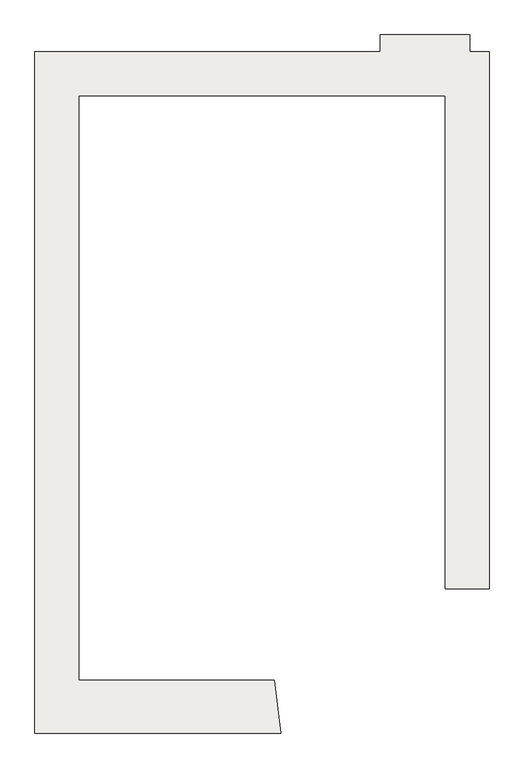
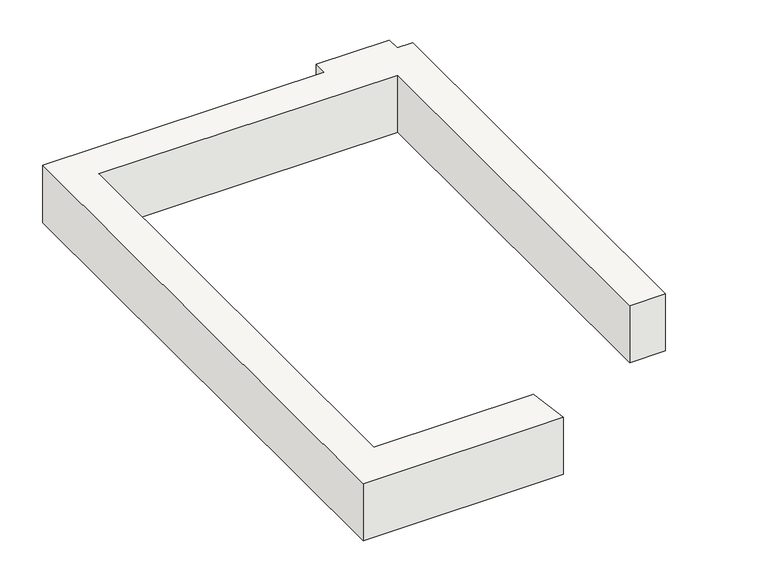
"""IFC4 building model written with IfcOpenShell, lengths in millimetres: slab geometry."""

from ifc_helpers import new_model, si_unit, frame, origin, place, context, project, spatial, polyline, outline, extrude, source, transform, mapped, element, save


def slab_4a011461(model_context):
    return source(origin(), model_context, "Body", "SweptSolid", [
        extrude(outline(polyline([(-3713.7847731, 4619.5502438), (241.644241, 4619.5502438), (241.644241, 4813.5266014), (1267.6442407, 4813.5266014), (1267.6442407, 4619.5502438), (1486.2152269, 4619.5502438), (1486.2152269, -1530.4497562), (986.2152269, -1530.4497562), (986.2152269, 4119.5502438), (-3213.7847731, 4119.5502438), (-3213.7847731, -2576.3408584), (-989.7847731, -2576.3408584), (-971.9575661, -2576.3408584), (-898.9317771, -3180.4497562), (-3713.7847731, -3180.4497562), (-3713.7847731, 4619.5502438)])), frame((0.0, 0.0, -1250.0), z_axis=(0.0, 0.0, 1.0), x_axis=(1.0, 0.0, 0.0)), (0.0, 0.0, 1.0), 850.0),
    ])


if __name__ == "__main__":
    model = new_model("IFC4")
    model_context = context("Model", 3, world=origin())
    ifc_project = project(units=[si_unit("LENGTHUNIT", "METRE", prefix="MILLI")], contexts=[model_context])
    site = spatial("IfcSite", under=ifc_project)
    building = spatial("IfcBuilding", under=site)
    placement = place(None, origin())
    slab_shape = slab_4a011461(model_context)
    element("IfcSlab", 1, at=placement, inside=building, context=model_context, shape_type="MappedRepresentation", body=[
        mapped(slab_shape, transform((0.0, 0.0, 0.0), x_axis=(1.0, 0.0, 0.0), y_axis=(0.0, 1.0, 0.0), z_axis=(0.0, 0.0, 1.0))),
    ])
    save(model, "model.ifc")
